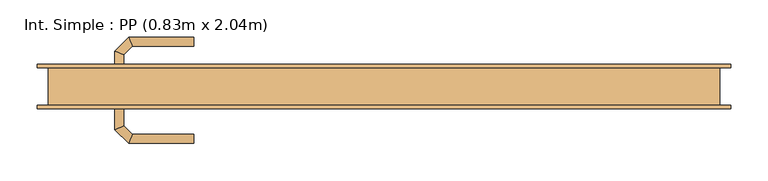
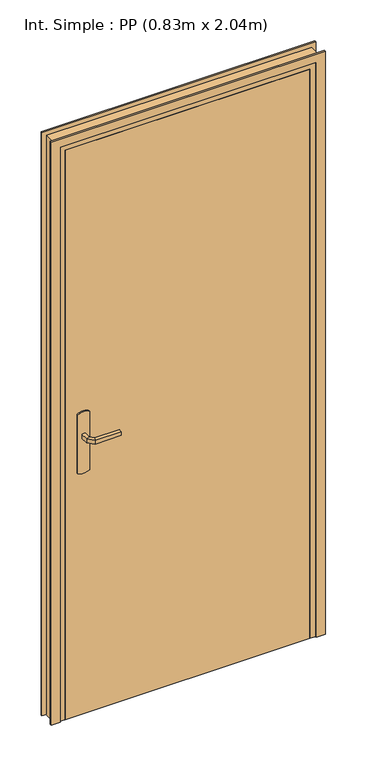
"""IFC4 building model written with IfcOpenShell, lengths in millimetres: door geometry, Int. Simple : PP (0.83m x 2.04m)."""

from ifc_helpers import new_model, si_unit, point, frame, frame_2d, origin, origin_with_axes, place, context, project, spatial, polyline, circle_curve, ellipse_curve, trimmed, segment, composite_curve, outline, extrude, faceted_brep, source, transform, mapped, element, save
from ifc_brep_helpers import plane_surface, cylinder_surface, advanced_brep


def int_simple_pp_0_83m_x_2_04m_7dde754e(model_context):
    return source(origin(), model_context, "Body", "SolidModel", [
        extrude(outline(composite_curve([segment(trimmed(circle_curve(frame_2d((904.6410162, -390.0)), 40.0), [point((870.0, -410.0))], [point((870.0, -370.0))], False, "CARTESIAN"), True, "CONTINUOUS"), segment(polyline([(870.0, -370.0), (1080.0, -370.0)]), True, "CONTINUOUS"), segment(trimmed(circle_curve(frame_2d((1045.3589838, -390.0)), 40.0), [point((1080.0, -370.0))], [point((1080.0, -410.0))], False, "CARTESIAN"), True, "CONTINUOUS"), segment(polyline([(1080.0, -410.0), (870.0, -410.0)]), True, "CONTINUOUS")], self_intersect=False)), frame((0.0, -30.0, 0.0), z_axis=(0.0, 1.0, 0.0), x_axis=(0.0, 0.0, 1.0)), (0.0, 0.0, 1.0), 5.0),
        extrude(outline(composite_curve([segment(trimmed(circle_curve(frame_2d((1045.3589838, -390.0)), 40.0), [point((1080.0, -370.0))], [point((1080.0, -410.0))], False, "CARTESIAN"), True, "CONTINUOUS"), segment(polyline([(1080.0, -410.0), (870.0, -410.0)]), True, "CONTINUOUS"), segment(trimmed(circle_curve(frame_2d((904.6410162, -390.0)), 40.0), [point((870.0, -410.0))], [point((870.0, -370.0))], False, "CARTESIAN"), True, "CONTINUOUS"), segment(polyline([(870.0, -370.0), (1080.0, -370.0)]), True, "CONTINUOUS")], self_intersect=False)), frame((0.0, 15.0, 0.0), z_axis=(0.0, 1.0, 0.0), x_axis=(0.0, 0.0, 1.0)), (0.0, 0.0, 1.0), 5.0),
        advanced_brep(
        [(-396.0, -30.0, 1007.0), (-384.0, -30.0, 1007.0), (-384.0, -30.0, 993.0), (-396.0, -30.0, 993.0), (-396.0, -57.6509507, 1007.0), (-384.0, -52.680388, 1007.0), (-384.0, -52.680388, 993.0), (-396.0, -57.6509507, 993.0), (-377.62279, -76.0281607, 1007.0), (-372.6522273, -64.0281607, 1007.0), (-372.6522273, -64.0281607, 993.0), (-377.62279, -76.0281607, 993.0), (-289.9813594, -76.0281607, 1007.0), (-289.9813594, -76.0281607, 993.0), (-289.9813594, -64.0281607, 993.0), (-289.9813594, -64.0281607, 1007.0)],
        [
            (0, 1, circle_curve(frame((-390.0, -30.0, 986.9542278), z_axis=(0.0, 1.0, 0.0), x_axis=(1.0, 0.0, 0.0)), 20.9244589)),
            (1, 2),
            (2, 3, circle_curve(frame((-390.0, -30.0, 1013.0457722), z_axis=(0.0, 1.0, 0.0), x_axis=(1.0, 0.0, 0.0)), 20.9244589)),
            (3, 0),
            (0, 4),
            (4, 5, ellipse_curve(frame((-390.0, -55.1656693, 986.9542278), z_axis=(-0.3826834323651126, 0.9238795325112773, 0.0), x_axis=(0.9238795325112775, 0.38268343236511254, 0.0)), 22.6484711, 20.9244589)),
            (5, 1),
            (5, 6),
            (6, 2),
            (6, 7, ellipse_curve(frame((-390.0, -55.1656693, 1013.0457722), z_axis=(-0.3826834323651126, 0.9238795325112773, 0.0), x_axis=(0.9238795325112775, 0.38268343236511254, 0.0)), 22.6484711, 20.9244589)),
            (7, 3),
            (7, 4),
            (4, 8),
            (8, 9, ellipse_curve(frame((-375.1375086, -70.0281607, 986.9542278), z_axis=(-0.9238795325112962, 0.38268343236506686, 0.0), x_axis=(0.3826834323650665, 0.9238795325112965, 0.0)), 22.6484711, 20.9244589)),
            (9, 5),
            (9, 10),
            (10, 6),
            (10, 11, ellipse_curve(frame((-375.1375086, -70.0281607, 1013.0457722), z_axis=(-0.9238795325112962, 0.38268343236506686, 0.0), x_axis=(0.3826834323650665, 0.9238795325112965, 0.0)), 22.6484711, 20.9244589)),
            (11, 7),
            (11, 8),
            (12, 13),
            (13, 14, circle_curve(frame((-289.9813594, -70.0281607, 1013.0457722), z_axis=(1.0, 0.0, 0.0), x_axis=(0.0, 1.0, 0.0)), 20.9244589)),
            (14, 15),
            (15, 12, circle_curve(frame((-289.9813594, -70.0281607, 986.9542278), z_axis=(1.0, 0.0, 0.0), x_axis=(0.0, 1.0, 0.0)), 20.9244589)),
            (8, 12),
            (15, 9),
            (14, 10),
            (13, 11),
        ],
        [
            plane_surface(frame((-399.2195445, -30.0, 1000.0), z_axis=(0.0, 1.0, 0.0), x_axis=(0.0, 0.0, -1.0))),
            cylinder_surface(frame((-390.0, -30.0, 986.9542278), z_axis=(0.0, 1.0, 0.0), x_axis=(1.0, 0.0, 0.0)), 20.9244589),
            plane_surface(frame((-384.0, -30.0, 1007.0), z_axis=(1.0, 0.0, 0.0), x_axis=(0.0, -1.0, 0.0))),
            cylinder_surface(frame((-390.0, -30.0, 1013.0457722), z_axis=(0.0, 1.0, 0.0), x_axis=(1.0, 0.0, 0.0)), 20.9244589),
            plane_surface(frame((-396.0, -30.0, 993.0), z_axis=(-1.0, 0.0, 0.0), x_axis=(0.0, -1.0, 0.0))),
            cylinder_surface(frame((-390.0, -55.1656693, 986.9542278), z_axis=(-0.7071067811865798, 0.7071067811865152, 0.0), x_axis=(0.7071067811865152, 0.7071067811865798, 0.0)), 20.9244589),
            plane_surface(frame((-384.0, -52.680388, 1007.0), z_axis=(0.7071067811865152, 0.7071067811865799, 0.0), x_axis=(0.7071067811865799, -0.7071067811865152, 0.0))),
            cylinder_surface(frame((-390.0, -55.1656693, 1013.0457722), z_axis=(-0.7071067811865798, 0.7071067811865152, 0.0), x_axis=(0.7071067811865152, 0.7071067811865798, 0.0)), 20.9244589),
            plane_surface(frame((-396.0, -57.6509507, 993.0), z_axis=(-0.7071067811865152, -0.7071067811865799, 0.0), x_axis=(0.7071067811865799, -0.7071067811865152, 0.0))),
            plane_surface(frame((-289.9813594, -70.0281607, 990.7804555), z_axis=(1.0, 0.0, 0.0), x_axis=(0.0, 1.0, 0.0))),
            cylinder_surface(frame((-375.1375086, -70.0281607, 986.9542278), z_axis=(-1.0, 0.0, 0.0), x_axis=(0.0, 1.0, 0.0)), 20.9244589),
            plane_surface(frame((-372.6522273, -64.0281607, 1007.0), z_axis=(0.0, 1.0, 0.0), x_axis=(1.0, 0.0, 0.0))),
            cylinder_surface(frame((-375.1375086, -70.0281607, 1013.0457722), z_axis=(-1.0, 0.0, 0.0), x_axis=(0.0, 1.0, 0.0)), 20.9244589),
            plane_surface(frame((-377.62279, -76.0281607, 993.0), z_axis=(0.0, -1.0, 0.0), x_axis=(1.0, 0.0, 0.0))),
        ],
        [
            (0, [[1, 2, 3, 4]]),
            (1, [[-1, 5, 6, 7]]),
            (2, [[-2, -7, 8, 9]]),
            (3, [[-3, -9, 10, 11]]),
            (4, [[-4, -11, 12, -5]]),
            (5, [[-6, 13, 14, 15]]),
            (6, [[-8, -15, 16, 17]]),
            (7, [[-10, -17, 18, 19]]),
            (8, [[-12, -19, 20, -13]]),
            (9, [[21, 22, 23, 24]]),
            (10, [[-14, 25, -24, 26]]),
            (11, [[-16, -26, -23, 27]]),
            (12, [[-18, -27, -22, 28]]),
            (13, [[-20, -28, -21, -25]]),
        ],
    ),
        advanced_brep(
        [(-384.0, 20.0, 993.0), (-384.0, 20.0, 1007.0), (-396.0, 20.0, 1007.0), (-396.0, 20.0, 993.0), (-384.0, 42.4852045, 993.0), (-384.0, 42.4852045, 1007.0), (-396.0, 47.4557673, 1007.0), (-396.0, 47.4557673, 993.0), (-372.5147186, 53.9704859, 993.0), (-372.5147186, 53.9704859, 1007.0), (-377.4852814, 65.9704859, 1007.0), (-377.4852814, 65.9704859, 993.0), (-289.9542163, 53.9704859, 993.0), (-289.9542163, 65.9704859, 993.0), (-289.9542163, 65.9704859, 1007.0), (-289.9542163, 53.9704859, 1007.0)],
        [
            (0, 1),
            (1, 2, circle_curve(frame((-390.0, 20.0, 986.9542278), z_axis=(0.0, -1.0, 0.0), x_axis=(-1.0, 0.0, 0.0)), 20.9244589)),
            (2, 3),
            (3, 0, circle_curve(frame((-390.0, 20.0, 1013.0457722), z_axis=(0.0, -1.0, 0.0), x_axis=(-1.0, 0.0, 0.0)), 20.9244589)),
            (0, 4),
            (4, 5),
            (5, 1),
            (5, 6, ellipse_curve(frame((-390.0, 44.9704859, 986.9542278), z_axis=(-0.3826834323651055, -0.9238795325112801, 0.0), x_axis=(0.9238795325112799, -0.3826834323651064, 0.0)), 22.6484711, 20.9244589)),
            (6, 2),
            (6, 7),
            (7, 3),
            (7, 4, ellipse_curve(frame((-390.0, 44.9704859, 1013.0457722), z_axis=(-0.3826834323651055, -0.9238795325112801, 0.0), x_axis=(0.9238795325112799, -0.3826834323651064, 0.0)), 22.6484711, 20.9244589)),
            (4, 8),
            (8, 9),
            (9, 5),
            (9, 10, ellipse_curve(frame((-375.0, 59.9704859, 986.9542278), z_axis=(-0.9238795325112932, -0.382683432365074, 0.0), x_axis=(0.3826834323650737, -0.9238795325112934, 0.0)), 22.6484711, 20.9244589)),
            (10, 6),
            (10, 11),
            (11, 7),
            (11, 8, ellipse_curve(frame((-375.0, 59.9704859, 1013.0457722), z_axis=(-0.9238795325112932, -0.382683432365074, 0.0), x_axis=(0.3826834323650737, -0.9238795325112934, 0.0)), 22.6484711, 20.9244589)),
            (12, 13, circle_curve(frame((-289.9542163, 59.9704859, 1013.0457722), z_axis=(1.0, 0.0, 0.0), x_axis=(0.0, 1.0, 0.0)), 20.9244589)),
            (13, 14),
            (14, 15, circle_curve(frame((-289.9542163, 59.9704859, 986.9542278), z_axis=(1.0, 0.0, 0.0), x_axis=(0.0, 1.0, 0.0)), 20.9244589)),
            (15, 12),
            (8, 12),
            (15, 9),
            (14, 10),
            (13, 11),
        ],
        [
            plane_surface(frame((-399.2195445, 20.0, 1000.0), z_axis=(0.0, -1.0, 0.0), x_axis=(0.0, 0.0, 1.0))),
            plane_surface(frame((-384.0, 20.0, 993.0), z_axis=(1.0, 0.0, 0.0), x_axis=(0.0, 1.0, 0.0))),
            cylinder_surface(frame((-390.0, 20.0, 986.9542278), z_axis=(0.0, -1.0, 0.0), x_axis=(-1.0, 0.0, 0.0)), 20.9244589),
            plane_surface(frame((-396.0, 20.0, 1007.0), z_axis=(-1.0, 0.0, 0.0), x_axis=(0.0, 1.0, 0.0))),
            cylinder_surface(frame((-390.0, 20.0, 1013.0457722), z_axis=(0.0, -1.0, 0.0), x_axis=(-1.0, 0.0, 0.0)), 20.9244589),
            plane_surface(frame((-384.0, 42.4852045, 993.0), z_axis=(0.7071067811865208, -0.7071067811865742, 0.0), x_axis=(0.7071067811865742, 0.7071067811865208, 0.0))),
            cylinder_surface(frame((-390.0, 44.9704859, 986.9542278), z_axis=(-0.7071067811865742, -0.7071067811865208, 0.0), x_axis=(-0.7071067811865208, 0.7071067811865742, 0.0)), 20.9244589),
            plane_surface(frame((-396.0, 47.4557673, 1007.0), z_axis=(-0.7071067811865209, 0.7071067811865741, 0.0), x_axis=(0.7071067811865741, 0.7071067811865209, 0.0))),
            cylinder_surface(frame((-390.0, 44.9704859, 1013.0457722), z_axis=(-0.7071067811865742, -0.7071067811865208, 0.0), x_axis=(-0.7071067811865208, 0.7071067811865742, 0.0)), 20.9244589),
            plane_surface(frame((-289.9542163, 59.9704859, 990.7804555), z_axis=(1.0, 0.0, 0.0), x_axis=(0.0, 1.0, 0.0))),
            plane_surface(frame((-372.5147186, 53.9704859, 993.0), z_axis=(0.0, -1.0, 0.0), x_axis=(1.0, 0.0, 0.0))),
            cylinder_surface(frame((-375.0, 59.9704859, 986.9542278), z_axis=(-1.0, 0.0, 0.0), x_axis=(0.0, 1.0, 0.0)), 20.9244589),
            plane_surface(frame((-377.4852814, 65.9704859, 1007.0), z_axis=(0.0, 1.0, 0.0), x_axis=(1.0, 0.0, 0.0))),
            cylinder_surface(frame((-375.0, 59.9704859, 1013.0457722), z_axis=(-1.0, 0.0, 0.0), x_axis=(0.0, 1.0, 0.0)), 20.9244589),
        ],
        [
            (0, [[1, 2, 3, 4]]),
            (1, [[-1, 5, 6, 7]]),
            (2, [[-2, -7, 8, 9]]),
            (3, [[-3, -9, 10, 11]]),
            (4, [[-4, -11, 12, -5]]),
            (5, [[-6, 13, 14, 15]]),
            (6, [[-8, -15, 16, 17]]),
            (7, [[-10, -17, 18, 19]]),
            (8, [[-12, -19, 20, -13]]),
            (9, [[21, 22, 23, 24]]),
            (10, [[-14, 25, -24, 26]]),
            (11, [[-16, -26, -23, 27]]),
            (12, [[-18, -27, -22, 28]]),
            (13, [[-20, -28, -21, -25]]),
        ],
    ),
        extrude(outline(polyline([(-450.0, 15.0), (380.0, 15.0), (380.0, -25.0), (-450.0, -25.0), (-450.0, 15.0)])), origin_with_axes(), (0.0, 0.0, 1.0), 2040.0),
        faceted_brep([(-485.0, -25.0, 0.0), (-485.0, 25.0, 0.0), (-435.0, 25.0, 0.0), (-435.0, 15.0, 0.0), (-450.0, 15.0, 0.0), (-450.0, -25.0, 0.0), (-485.0, -25.0, 2075.0), (-485.0, 25.0, 2075.0), (415.0, 25.0, 2075.0), (415.0, 25.0, 0.0), (365.0, 25.0, 0.0), (365.0, 25.0, 2025.0), (-435.0, 25.0, 2025.0), (-435.0, 15.0, 2025.0), (365.0, 15.0, 2025.0), (365.0, 15.0, 0.0), (380.0, 15.0, 0.0), (380.0, 15.0, 2040.0), (-450.0, 15.0, 2040.0), (-450.0, -25.0, 2040.0), (380.0, -25.0, 2040.0), (380.0, -25.0, 0.0), (415.0, -25.0, 0.0), (415.0, -25.0, 2075.0)], [[[0, 1, 2, 3, 4, 5]], [[1, 0, 6, 7]], [[2, 1, 7, 8, 9, 10, 11, 12]], [[3, 2, 12, 13]], [[4, 3, 13, 14, 15, 16, 17, 18]], [[5, 4, 18, 19]], [[0, 5, 19, 20, 21, 22, 23, 6]], [[8, 23, 22, 9]], [[22, 21, 16, 15, 10, 9]], [[14, 11, 10, 15]], [[20, 17, 16, 21]], [[7, 6, 23, 8]], [[13, 12, 11, 14]], [[19, 18, 17, 20]]]),
        extrude(outline(polyline([(0.0, -500.0), (0.0, -470.0), (2060.0, -470.0), (2060.0, 400.0), (0.0, 400.0), (0.0, 430.0), (2090.0, 430.0), (2090.0, -500.0), (0.0, -500.0)])), frame((0.0, -30.0, 0.0), z_axis=(0.0, 1.0, 0.0), x_axis=(0.0, 0.0, 1.0)), (0.0, 0.0, 1.0), 5.0),
        extrude(outline(polyline([(0.0, -500.0), (0.0, -470.0), (2060.0, -470.0), (2060.0, 400.0), (0.0, 400.0), (0.0, 430.0), (2090.0, 430.0), (2090.0, -500.0), (0.0, -500.0)])), frame((0.0, 25.0, 0.0), z_axis=(0.0, 1.0, 0.0), x_axis=(0.0, 0.0, 1.0)), (0.0, 0.0, 1.0), 5.0),
    ])


if __name__ == "__main__":
    model = new_model("IFC4")
    model_context = context("Model", 3, world=origin())
    ifc_project = project(units=[si_unit("LENGTHUNIT", "METRE", prefix="MILLI")], contexts=[model_context])
    site = spatial("IfcSite", under=ifc_project)
    building = spatial("IfcBuilding", under=site)
    placement = place(None, origin())
    int_simple_pp_0_83m_x_2_04m_shape = int_simple_pp_0_83m_x_2_04m_7dde754e(model_context)
    element("IfcDoor", 1, ObjectType="Int. Simple : PP (0.83m x 2.04m)", at=placement, inside=building, context=model_context, shape_type="MappedRepresentation", body=[
        mapped(int_simple_pp_0_83m_x_2_04m_shape, transform((0.0, 0.0, 0.0), x_axis=(1.0, 0.0, 0.0), y_axis=(0.0, 1.0, 0.0), z_axis=(0.0, 0.0, 1.0))),
    ])
    save(model, "model.ifc")
